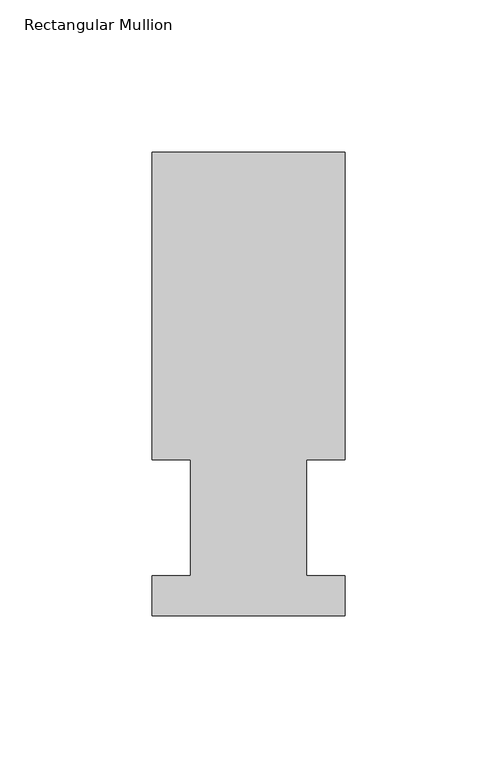
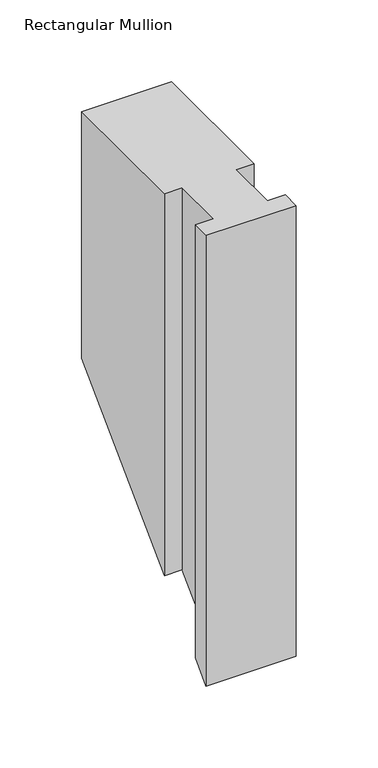
"""IFC4 building model written with IfcOpenShell, lengths in millimetres: member geometry, Rectangular Mullion."""

import ifcopenshell
import ifcopenshell.guid

model = None  # the IFC model being written
_history = None  # IfcOwnerHistory: only IFC2X3 demands one
_inside = {}  # id of a spatial element -> (the spatial element, [elements in it])
_under = {}  # id of a project, library or spatial element -> (it, [spatial elements below it])
_declared = {}  # id of a project -> (the project, [libraries it declares])
_typed = {}  # id of a type object -> (the type object, [elements of that type])
_made_of = {}  # id of a material, layer set ... -> (it, [elements and type objects made of it])


def new_model(schema):
    """Start an empty IFC model of exactly this schema.

    Asked for "IFC4X3", IfcOpenShell would pick the latest addendum, in which some entities
    have other attributes; the version numbers below select the first issue.
    IFC2X3 requires an IfcOwnerHistory on every rooted entity: one is made here for all.
    """
    global model, _history
    if schema == "IFC4X3":
        model = ifcopenshell.file(schema_version=(4, 3, 0, 0))
    else:
        model = ifcopenshell.file(schema=schema)
    _inside.clear()
    _under.clear()
    _declared.clear()
    _typed.clear()
    _made_of.clear()
    _history = None
    if model.schema == "IFC2X3":
        org = make("IfcOrganization", Name="unknown")
        user = make(
            "IfcPersonAndOrganization",
            ThePerson=make("IfcPerson", FamilyName="unknown"),
            TheOrganization=org,
        )
        app = make(
            "IfcApplication",
            ApplicationDeveloper=org,
            Version="unknown",
            ApplicationFullName="unknown",
            ApplicationIdentifier="unknown",
        )
        _history = make(
            "IfcOwnerHistory",
            OwningUser=user,
            OwningApplication=app,
            ChangeAction="ADDED",
            CreationDate=0,
        )
    return model


def make(cls, **values):
    """One entity of the class cls with the attributes given. An attribute that is None is left unset."""
    return model.create_entity(
        cls, **{name: value for name, value in values.items() if value is not None}
    )


def rooted(cls, **values):
    """An entity with a GlobalId (a new one), such as an element, a storey or a relation."""
    return make(cls, GlobalId=ifcopenshell.guid.new(), OwnerHistory=_history, **values)


def si_unit(unit_type, name, prefix=None):
    """IfcSIUnit, for example si_unit("LENGTHUNIT", "METRE", prefix="MILLI")."""
    return make("IfcSIUnit", UnitType=unit_type, Prefix=prefix, Name=name)


def assignment(units):
    """IfcUnitAssignment: the units of a project."""
    return None if units is None else make("IfcUnitAssignment", Units=units)


def point(xyz):
    """IfcCartesianPoint."""
    return None if xyz is None else make("IfcCartesianPoint", Coordinates=xyz)


def direction(xyz):
    """IfcDirection."""
    return None if xyz is None else make("IfcDirection", DirectionRatios=xyz)


def frame(location, z_axis=None, x_axis=None):
    """IfcAxis2Placement3D, a coordinate frame: its origin and axes. An axis left out is left unset."""
    return make(
        "IfcAxis2Placement3D",
        Location=point(location),
        Axis=direction(z_axis),
        RefDirection=direction(x_axis),
    )


def origin():
    """The frame at (0, 0, 0) with its axes left unset."""
    return frame((0.0, 0.0, 0.0))


def place(relative_to, where):
    """IfcLocalPlacement: puts the frame where relative to a parent placement (None: the world)."""
    return make(
        "IfcLocalPlacement", PlacementRelTo=relative_to, RelativePlacement=where
    )


def context(
    kind, dimensions, precision=None, world=None, true_north=None, identifier=None
):
    """IfcGeometricRepresentationContext, for example the 3D "Model" context."""
    return make(
        "IfcGeometricRepresentationContext",
        ContextIdentifier=identifier,
        ContextType=kind,
        CoordinateSpaceDimension=dimensions,
        Precision=precision,
        WorldCoordinateSystem=world,
        TrueNorth=true_north,
    )


def project(units=None, contexts=None):
    """IfcProject with its units and contexts."""
    return rooted(
        "IfcProject",
        Name="project",
        RepresentationContexts=contexts,
        UnitsInContext=assignment(units),
    )


def spatial(cls, under=None, at=None, **own):
    """A site, building, storey or space (cls), placed at a placement, below another one or the project."""
    s = rooted(cls, ObjectPlacement=at, **own)
    if under is not None:
        _under.setdefault(under.id(), (under, []))[1].append(s)
    return s


def faces_of(points, faces, orient=None, outer=None):
    """IfcFace entities. A face is a list of loops; a loop is a list of indices into points, from 0.

    orient and outer hold one flag for each loop. By default every Orientation is true, the
    first loop of a face is its IfcFaceOuterBound and the others are IfcFaceBound.
    """
    made = []
    for i, loops in enumerate(faces):
        bounds = []
        for j, loop in enumerate(loops):
            is_outer = j == 0 if outer is None else outer[i][j]
            bounds.append(
                make(
                    "IfcFaceOuterBound" if is_outer else "IfcFaceBound",
                    Bound=make("IfcPolyLoop", Polygon=[points[k] for k in loop]),
                    Orientation=True if orient is None else orient[i][j],
                )
            )
        made.append(make("IfcFace", Bounds=bounds))
    return made


def faceted_brep(points, faces, orient=None, outer=None, voids=None):
    """IfcFacetedBrep: a solid bounded by flat faces; with voids (closed shells), ...WithVoids."""
    shared = [point(p) for p in points]
    hull = make("IfcClosedShell", CfsFaces=faces_of(shared, faces, orient, outer))
    if voids is None:
        return make("IfcFacetedBrep", Outer=hull)
    return make(
        "IfcFacetedBrepWithVoids",
        Outer=hull,
        Voids=[
            make(cls, CfsFaces=faces_of(shared, fs, o, b)) for cls, fs, o, b in voids
        ],
    )


def shape(context_of_items, identifier, shape_type, items):
    """IfcShapeRepresentation: the items that make up one representation, for example the "Body"."""
    return make(
        "IfcShapeRepresentation",
        ContextOfItems=context_of_items,
        RepresentationIdentifier=identifier,
        RepresentationType=shape_type,
        Items=items,
    )


def source(mapping_origin, context_of_items, identifier, shape_type, items):
    """IfcRepresentationMap: a shape defined once, which mapped items show again and again."""
    return make(
        "IfcRepresentationMap",
        MappingOrigin=mapping_origin,
        MappedRepresentation=shape(context_of_items, identifier, shape_type, items),
    )


def transform(
    local_origin,
    x_axis=None,
    y_axis=None,
    z_axis=None,
    scale=None,
    scale2=None,
    scale3=None,
    uniform=True,
):
    """IfcCartesianTransformationOperator3D, or its non-uniform kind. x_axis, y_axis, z_axis: its Axis1, 2, 3."""
    if uniform:
        return make(
            "IfcCartesianTransformationOperator3D",
            Axis1=direction(x_axis),
            Axis2=direction(y_axis),
            LocalOrigin=point(local_origin),
            Scale=scale,
            Axis3=direction(z_axis),
        )
    return make(
        "IfcCartesianTransformationOperator3DnonUniform",
        Axis1=direction(x_axis),
        Axis2=direction(y_axis),
        LocalOrigin=point(local_origin),
        Scale=scale,
        Axis3=direction(z_axis),
        Scale2=scale2,
        Scale3=scale3,
    )


def mapped(mapping_source, mapping_target):
    """IfcMappedItem: shows the shape of a source again, moved by a transform."""
    return make(
        "IfcMappedItem", MappingSource=mapping_source, MappingTarget=mapping_target
    )


def made_of(thing, what):
    """Note that an element or type object is made of a material, layer set ...; save() writes the relation."""
    if what is not None:
        _made_of.setdefault(what.id(), (what, []))[1].append(thing)
    return thing


def element(
    cls,
    number,
    at=None,
    inside=None,
    cuts=None,
    type_object=None,
    material=None,
    context=None,
    identifier="Body",
    shape_type=None,
    held_by="IfcProductDefinitionShape",
    body=None,
    shapes=None,
    **own,
):
    """One element of the class cls, such as IfcWall. Its Tag is "e" and its number.

    at: its placement. inside: the storey or other place that contains it. cuts: it is an
    opening in that element (IfcRelVoidsElement). A single representation is given by context,
    identifier, shape_type and body (its items); several are given by shapes. held_by: the class
    of the entity that holds the representations. save() writes the other relations.
    """
    e = rooted(cls, Tag="e%d" % number, ObjectPlacement=at, **own)
    if body is not None:
        shapes = [shape(context, identifier, shape_type, body)]
    if shapes is not None:
        e.Representation = make(held_by, Representations=shapes)
    if inside is not None:
        _inside.setdefault(inside.id(), (inside, []))[1].append(e)
    if cuts is not None:
        rooted(
            "IfcRelVoidsElement", RelatingBuildingElement=cuts, RelatedOpeningElement=e
        )
    if type_object is not None:
        _typed.setdefault(type_object.id(), (type_object, []))[1].append(e)
    return made_of(e, material)


def aggregate(whole, parts):
    """IfcRelAggregates: a whole, such as a stair, and the parts it consists of."""
    return rooted("IfcRelAggregates", RelatingObject=whole, RelatedObjects=parts)


def save(model, path):
    """Write the relations noted so far, then the file.

    IfcRelAggregates (storeys below a building ...), IfcRelContainedInSpatialStructure (elements
    in a storey), IfcRelDefinesByType, IfcRelAssociatesMaterial and IfcRelDeclares: one each for
    every whole, place, type object, material and project.
    """
    for whole, parts in _under.values():
        aggregate(whole, parts)
    for where, things in _inside.values():
        rooted(
            "IfcRelContainedInSpatialStructure",
            RelatedElements=things,
            RelatingStructure=where,
        )
    for kind, things in _typed.values():
        rooted("IfcRelDefinesByType", RelatedObjects=things, RelatingType=kind)
    for what, things in _made_of.values():
        rooted("IfcRelAssociatesMaterial", RelatedObjects=things, RelatingMaterial=what)
    for by, libraries in _declared.values():
        rooted("IfcRelDeclares", RelatingContext=by, RelatedDefinitions=libraries)
    model.write(path)


def rectangular_mullion_57993e9c(model_context):
    return source(origin(), model_context, "Body", "Brep", [
        faceted_brep([(-63.5, 152.4896937, 0.0), (-63.5, 51.2960938, 0.0), (-50.8, 51.2960937, 0.0), (-50.8, 13.1960938, 0.0), (-63.5, 13.1960938, 0.0), (-63.5, 0.0134938, 0.0), (0.0, 0.0134938, 0.0), (0.0, 13.1960938, 0.0), (-12.6873, 13.1960938, 0.0), (-12.6873, 51.2960938, 0.0), (0.0, 51.2960938, 0.0), (0.0, 152.4896937, 0.0), (-63.5, 152.4896937, -184.0603063), (-63.5, 51.2960937, -285.2539063), (-50.8, 51.2960937, -285.2539063), (-50.8, 13.1960938, -323.3539063), (-63.5, 13.1960938, -323.3539063), (-63.5, 0.0134938, -336.5365063), (0.0, 0.0134938, -336.5365063), (0.0, 13.1960938, -323.3539063), (-12.6873, 13.1960938, -323.3539063), (-12.6873, 51.2960938, -285.2539063), (0.0, 51.2960938, -285.2539063), (0.0, 152.4896937, -184.0603063)], [[[0, 1, 2, 3, 4, 5, 6, 7, 8, 9, 10, 11]], [[1, 0, 12, 13]], [[2, 1, 13, 14]], [[3, 2, 14, 15]], [[4, 3, 15, 16]], [[5, 4, 16, 17]], [[6, 5, 17, 18]], [[7, 6, 18, 19]], [[8, 7, 19, 20]], [[9, 8, 20, 21]], [[10, 9, 21, 22]], [[11, 10, 22, 23]], [[0, 11, 23, 12]], [[12, 23, 22, 21, 20, 19, 18, 17, 16, 15, 14, 13]]]),
    ])


if __name__ == "__main__":
    model = new_model("IFC4")
    model_context = context("Model", 3, world=origin())
    ifc_project = project(units=[si_unit("LENGTHUNIT", "METRE", prefix="MILLI")], contexts=[model_context])
    site = spatial("IfcSite", under=ifc_project)
    building = spatial("IfcBuilding", under=site)
    placement = place(None, origin())
    rectangular_mullion_shape = rectangular_mullion_57993e9c(model_context)
    element("IfcMember", 1, ObjectType="Rectangular Mullion", at=placement, inside=building, context=model_context, shape_type="MappedRepresentation", body=[
        mapped(rectangular_mullion_shape, transform((0.0, 0.0, 0.0), x_axis=(1.0, 0.0, 0.0), y_axis=(0.0, 1.0, 0.0), z_axis=(0.0, 0.0, 1.0))),
    ])
    save(model, "model.ifc")
